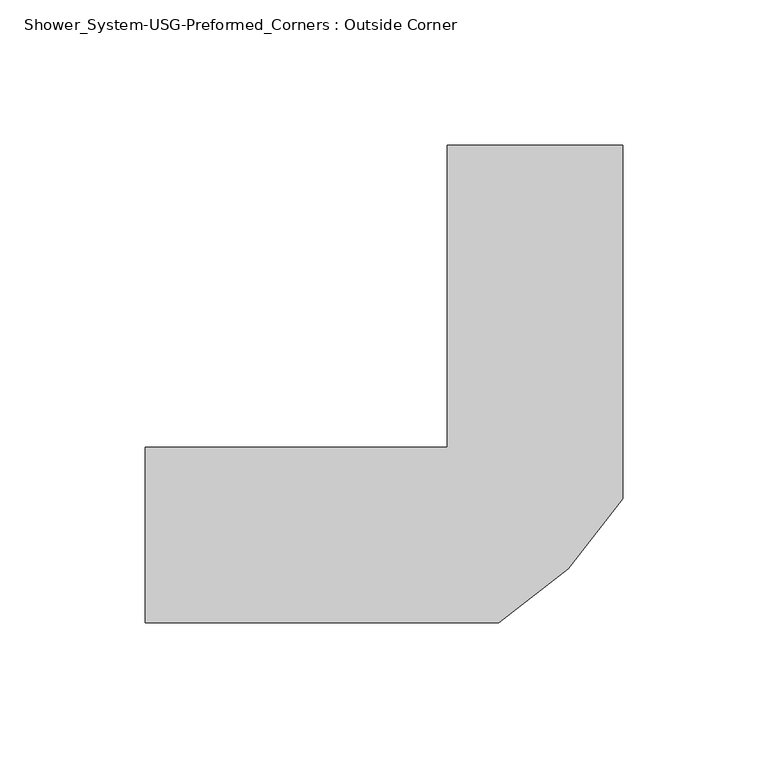
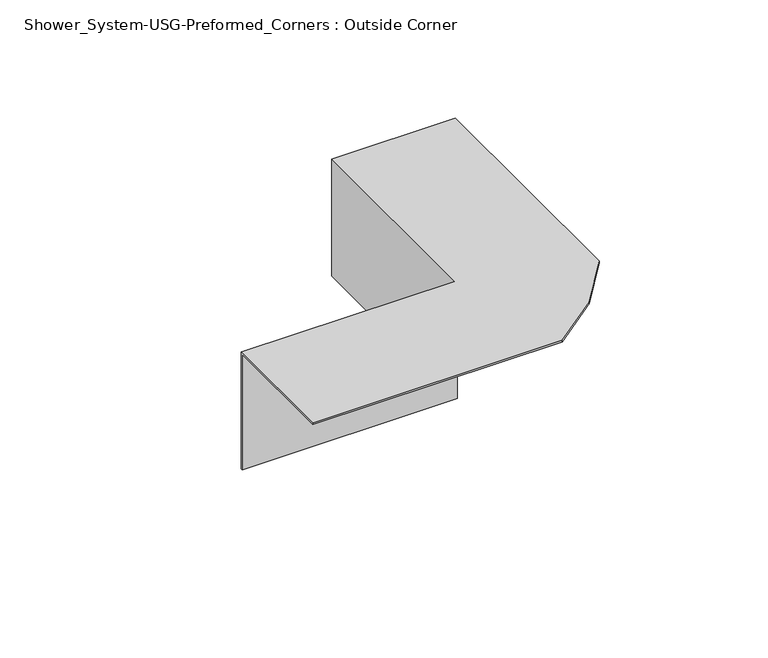
"""IFC4 building model written with IfcOpenShell, lengths in millimetres: proxy geometry, Shower_System-USG-Preformed_Corners : Outside Corner."""

from ifc_helpers import new_model, si_unit, origin, place, context, project, spatial, faceted_brep, source, transform, mapped, element, save


def shower_system_usg_preformed_corners_outside_corner_1c38d87d(model_context):
    return source(origin(), model_context, "Body", "Brep", [
        faceted_brep([(93.1652482, -93.2818414, 0.79375), (93.1652482, -93.2818414, 0.0), (111.91875, -69.2784537, 0.0), (111.91875, -69.2784537, 0.79375), (69.279787, -111.91875, 0.79375), (69.279787, -111.91875, 0.0), (-52.3875, -51.59375, -59.53125), (-52.3875, -52.3875, -59.53125), (-52.3875, -52.3875, 0.0), (-52.3875, -111.91875, 0.0), (-52.3875, -111.91875, 0.79375), (-52.3875, -51.59375, 0.79375), (51.59375, -51.59375, 0.79375), (51.59375, -51.59375, -59.53125), (111.91875, 52.3875, 0.79375), (51.59375, 52.3875, 0.79375), (52.3875, -52.3875, 0.0), (52.3875, 52.3875, 0.0), (111.91875, 52.3875, 0.0), (52.3875, -52.3875, -59.53125), (51.59375, 52.3875, -59.53125), (52.3875, 52.3875, -59.53125)], [[[0, 1, 2, 3]], [[1, 0, 4, 5]], [[6, 7, 8, 9, 10, 11]], [[6, 11, 12, 13]], [[11, 10, 4, 0, 3, 14, 15, 12]], [[10, 9, 5, 4]], [[9, 8, 16, 17, 18, 2, 1, 5]], [[8, 7, 19, 16]], [[7, 6, 13, 20, 21, 19]], [[15, 14, 18, 17, 21, 20]], [[13, 12, 15, 20]], [[18, 14, 3, 2]], [[17, 16, 19, 21]]]),
    ])


if __name__ == "__main__":
    model = new_model("IFC4")
    model_context = context("Model", 3, world=origin())
    ifc_project = project(units=[si_unit("LENGTHUNIT", "METRE", prefix="MILLI")], contexts=[model_context])
    site = spatial("IfcSite", under=ifc_project)
    building = spatial("IfcBuilding", under=site)
    placement = place(None, origin())
    shower_system_usg_preformed_corners_outside_corner_shape = shower_system_usg_preformed_corners_outside_corner_1c38d87d(model_context)
    element("IfcBuildingElementProxy", 1, Name="Shower_System-USG-Preformed_Corners : Outside Corner", ObjectType="Shower_System-USG-Preformed_Corners : Outside Corner", at=placement, inside=building, context=model_context, shape_type="MappedRepresentation", body=[
        mapped(shower_system_usg_preformed_corners_outside_corner_shape, transform((0.0, 0.0, 0.0), x_axis=(1.0, 0.0, 0.0), y_axis=(0.0, 1.0, 0.0), z_axis=(0.0, 0.0, 1.0))),
    ])
    save(model, "model.ifc")
